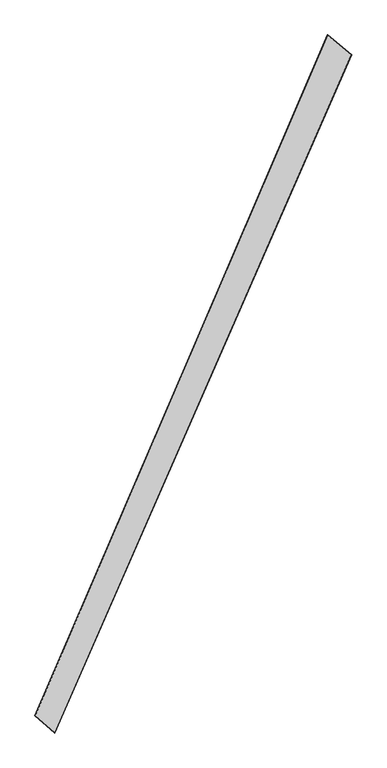
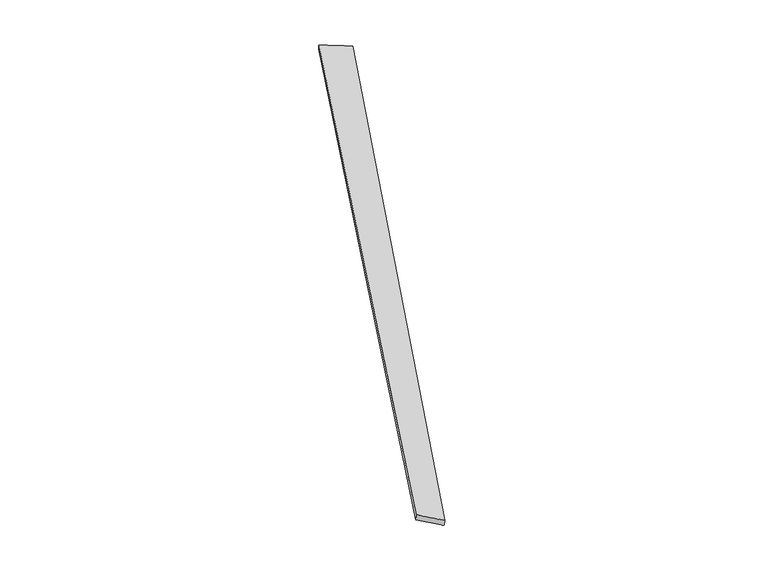
"""IFC4 building model written with IfcOpenShell, lengths in millimetres: proxy geometry."""

from ifc_helpers import new_model, si_unit, origin, place, context, project, spatial, source, transform, mapped, element, save
from ifc_brep_helpers import spline_surface, advanced_brep


def generic_models_30d4ecea(model_context):
    return source(origin(), model_context, "Body", "AdvancedBrep", [
        advanced_brep(
        [(-707.8872778, -1793.314437, -8.0903617), (-711.8630643, -1791.4609117, -37.7679216), (985.3444989, 2067.3474511, -22.9475945), (981.6368546, 2068.8548698, 6.7842245), (-821.9006912, -1695.2281096, -21.8248905), (846.8423968, 2180.020008, -36.7809611), (-819.8894005, -1695.9775919, 8.0982274), (846.1398237, 2180.4371592, -6.7920903)],
        [
            (0, 1),
            (1, 2),
            (2, 3),
            (3, 0),
            (1, 4),
            (4, 5),
            (5, 2),
            (4, 6),
            (6, 7),
            (7, 5),
            (6, 0),
            (3, 7),
        ],
        [
            spline_surface(1, 1, [[(-707.8872778, -1793.314437, -8.0903617), (981.6368546, 2068.8548698, 6.7842245)], [(-711.8630643, -1791.4609117, -37.7679216), (985.3444989, 2067.3474511, -22.9475945)]], [2, 2], [2, 2], [0.0, 1.0], [0.0, 1.0]),
            spline_surface(1, 1, [[(-711.8630643, -1791.4609117, -37.7679216), (985.3444989, 2067.3474511, -22.9475945)], [(-821.9006912, -1695.2281096, -21.8248905), (846.8423968, 2180.020008, -36.7809611)]], [2, 2], [2, 2], [0.0, 1.0], [0.0, 1.0]),
            spline_surface(1, 1, [[(-821.9006912, -1695.2281096, -21.8248905), (846.8423968, 2180.020008, -36.7809611)], [(-819.8894005, -1695.9775919, 8.0982274), (846.1398237, 2180.4371592, -6.7920903)]], [2, 2], [2, 2], [0.0, 1.0], [0.0, 1.0]),
            spline_surface(1, 1, [[(-819.8894005, -1695.9775919, 8.0982274), (846.1398237, 2180.4371592, -6.7920903)], [(-707.8872778, -1793.314437, -8.0903617), (981.6368546, 2068.8548698, 6.7842245)]], [2, 2], [2, 2], [0.0, 1.0], [0.0, 1.0]),
            spline_surface(1, 1, [[(985.3444989, 2067.3474511, -22.9475945), (981.6368546, 2068.8548698, 6.7842245)], [(846.8423968, 2180.020008, -36.7809611), (846.1398237, 2180.4371592, -6.7920903)]], [2, 2], [2, 2], [0.0, 1.0], [0.0, 1.0]),
            spline_surface(1, 1, [[(-819.8894005, -1695.9775919, 8.0982274), (-707.8872778, -1793.314437, -8.0903617)], [(-821.9006912, -1695.2281096, -21.8248905), (-711.8630643, -1791.4609117, -37.7679216)]], [2, 2], [2, 2], [0.0, 1.0], [0.0, 1.0]),
        ],
        [
            (0, [[1, 2, 3, 4]]),
            (1, [[5, 6, 7, -2]]),
            (2, [[8, 9, 10, -6]]),
            (3, [[11, -4, 12, -9]]),
            (4, [[-3, -7, -10, -12]]),
            (5, [[-11, -8, -5, -1]]),
        ],
    ),
    ])


if __name__ == "__main__":
    model = new_model("IFC4")
    model_context = context("Model", 3, world=origin())
    ifc_project = project(units=[si_unit("LENGTHUNIT", "METRE", prefix="MILLI")], contexts=[model_context])
    site = spatial("IfcSite", under=ifc_project)
    building = spatial("IfcBuilding", under=site)
    placement = place(None, origin())
    generic_models_shape = generic_models_30d4ecea(model_context)
    element("IfcBuildingElementProxy", 1, Name="Generic Models", at=placement, inside=building, context=model_context, shape_type="MappedRepresentation", body=[
        mapped(generic_models_shape, transform((0.0, 0.0, 0.0), x_axis=(1.0, 0.0, 0.0), y_axis=(0.0, 1.0, 0.0), z_axis=(0.0, 0.0, 1.0))),
    ])
    save(model, "model.ifc")
